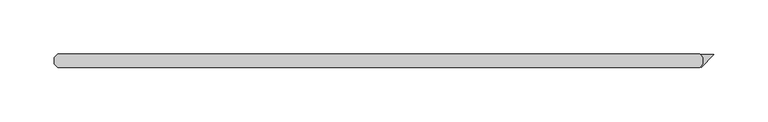
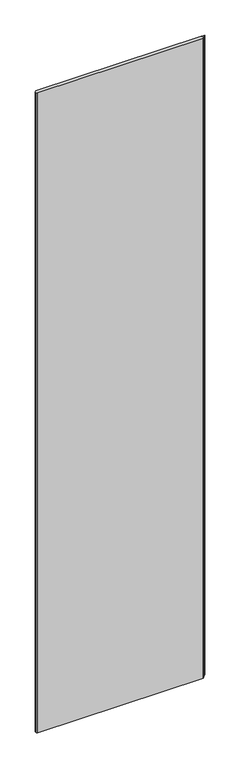
"""IFC4 building model written with IfcOpenShell, lengths in millimetres: plate geometry."""

from ifc_helpers import new_model, si_unit, origin, origin_with_axes, place, context, project, spatial, polyline, outline, extrude, source, transform, mapped, element, save


def plate_fd00a2be(model_context):
    return source(origin(), model_context, "Body", "SweptSolid", [
        extrude(outline(polyline([(282.643093, -26.9875), (280.261843, -24.60625), (292.496875, -24.60625), (280.7808699, -36.3222551), (280.2196039, -35.7609891), (282.643093, -33.3375), (282.643093, -26.9875)])), origin_with_axes(), (0.0, 0.0, 1.0), 2428.7789267),
        extrude(outline(polyline([(279.468093, -23.8125), (282.643093, -26.9875), (282.643093, -33.3375), (279.468093, -36.5125), (-313.928125, -36.5125), (-317.103125, -33.3375), (-317.103125, -26.9875), (-313.928125, -23.8125), (279.468093, -23.8125)])), origin_with_axes(), (0.0, 0.0, 1.0), 2428.7789267),
    ])


if __name__ == "__main__":
    model = new_model("IFC4")
    model_context = context("Model", 3, world=origin())
    ifc_project = project(units=[si_unit("LENGTHUNIT", "METRE", prefix="MILLI")], contexts=[model_context])
    site = spatial("IfcSite", under=ifc_project)
    building = spatial("IfcBuilding", under=site)
    placement = place(None, origin())
    plate_shape = plate_fd00a2be(model_context)
    element("IfcPlate", 1, at=placement, inside=building, context=model_context, shape_type="MappedRepresentation", body=[
        mapped(plate_shape, transform((0.0, 0.0, 0.0), x_axis=(1.0, 0.0, 0.0), y_axis=(0.0, 1.0, 0.0), z_axis=(0.0, 0.0, 1.0))),
    ])
    save(model, "model.ifc")
